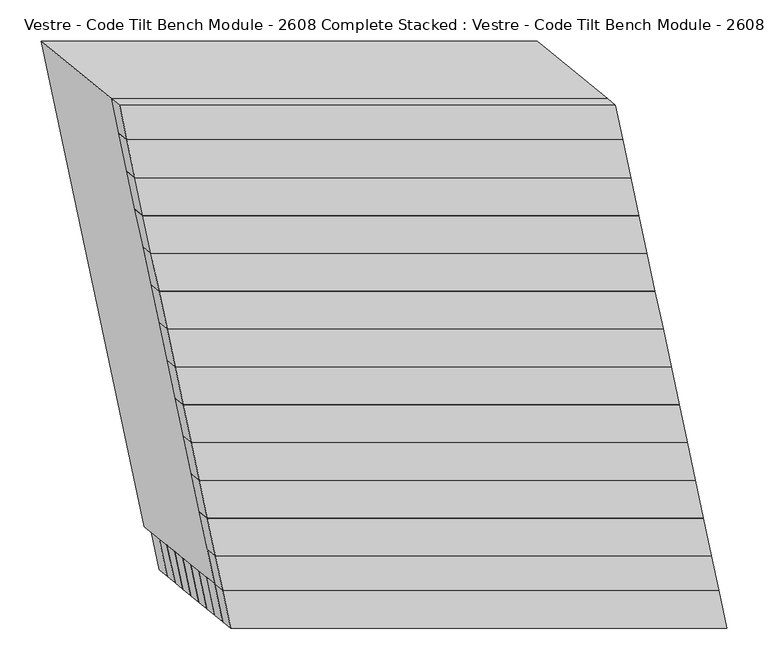
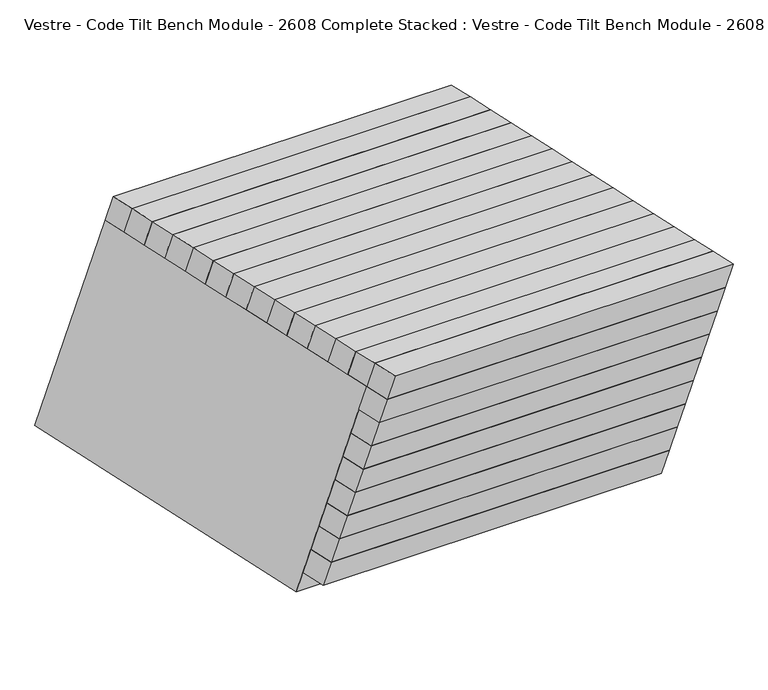
"""IFC4 building model written with IfcOpenShell, lengths in millimetres: furniture geometry, Vestre - Code Tilt Bench Module - 2608 Complete Stacked : Vestre - Code Tilt Bench Module - 2608 Complete Stacked."""

from ifc_helpers import new_model, si_unit, origin, place, context, project, spatial, faceted_brep, source, transform, mapped, element, save


def vestre_code_tilt_bench_module_2608_complete_stacked_vestre_a87910ff(model_context):
    return source(origin(), model_context, "Body", "Brep", [
        faceted_brep([(350.255274, -432.512587, 817.7590999), (-249.744726, -432.512587, 817.7590999), (-239.9876954, -478.4158065, 817.7590999), (360.0123046, -478.4158065, 817.7590999), (340.6138375, -424.6378724, 772.6919126), (350.370868, -470.5410919, 772.6919126), (-249.629132, -470.5410919, 772.6919126), (-259.3861625, -424.6378724, 772.6919126)], [[[0, 1, 2, 3]], [[4, 5, 6, 7]], [[4, 7, 1, 0]], [[7, 6, 2, 1]], [[6, 5, 3, 2]], [[5, 4, 0, 3]]]),
        faceted_brep([(244.0437897, 104.6578383, 862.9456861), (-355.9562103, 104.6578383, 862.9456861), (-346.2319436, 58.9087607, 862.9456861), (253.7680564, 58.9087607, 862.9456861), (234.3979186, 112.5534159, 817.7590999), (244.1221852, 66.8043382, 817.7590999), (-355.8778148, 66.8043382, 817.7590999), (-365.6020814, 112.5534159, 817.7590999)], [[[0, 1, 2, 3]], [[4, 5, 6, 7]], [[4, 7, 1, 0]], [[7, 6, 2, 1]], [[6, 5, 3, 2]], [[5, 4, 0, 3]]]),
        faceted_brep([(253.7680564, 58.9087607, 862.9456861), (-346.2319436, 58.9087607, 862.9456861), (-336.507677, 13.159683, 862.9456861), (263.492323, 13.159683, 862.9456861), (244.1221852, 66.8043382, 817.7590999), (253.8464519, 21.0552605, 817.7590999), (-346.1535481, 21.0552605, 817.7590999), (-355.8778148, 66.8043382, 817.7590999)], [[[0, 1, 2, 3]], [[4, 5, 6, 7]], [[4, 7, 1, 0]], [[7, 6, 2, 1]], [[6, 5, 3, 2]], [[5, 4, 0, 3]]]),
        faceted_brep([(263.492323, 13.159683, 862.9456861), (-336.507677, 13.159683, 862.9456861), (-326.7834103, -32.5893947, 862.9456861), (273.2165897, -32.5893947, 862.9456861), (253.8464519, 21.0552605, 817.7590999), (263.5707185, -24.6938171, 817.7590999), (-336.4292815, -24.6938171, 817.7590999), (-346.1535481, 21.0552605, 817.7590999)], [[[0, 1, 2, 3]], [[4, 5, 6, 7]], [[4, 7, 1, 0]], [[7, 6, 2, 1]], [[6, 5, 3, 2]], [[5, 4, 0, 3]]]),
        faceted_brep([(273.2165897, -32.5893947, 862.9456861), (-326.7834103, -32.5893947, 862.9456861), (-317.0591437, -78.3384723, 862.9456861), (282.9408563, -78.3384723, 862.9456861), (263.5707185, -24.6938171, 817.7590999), (273.2949852, -70.4428948, 817.7590999), (-326.7050148, -70.4428948, 817.7590999), (-336.4292815, -24.6938171, 817.7590999)], [[[0, 1, 2, 3]], [[4, 5, 6, 7]], [[4, 7, 1, 0]], [[7, 6, 2, 1]], [[6, 5, 3, 2]], [[5, 4, 0, 3]]]),
        faceted_brep([(282.9408563, -78.3384723, 862.9456861), (-317.0591437, -78.3384723, 862.9456861), (-307.334877, -124.08755, 862.9456861), (292.665123, -124.08755, 862.9456861), (273.2949852, -70.4428948, 817.7590999), (283.0192518, -116.1919724, 817.7590999), (-316.9807482, -116.1919724, 817.7590999), (-326.7050148, -70.4428948, 817.7590999)], [[[0, 1, 2, 3]], [[4, 5, 6, 7]], [[4, 7, 1, 0]], [[7, 6, 2, 1]], [[6, 5, 3, 2]], [[5, 4, 0, 3]]]),
        faceted_brep([(292.665123, -124.08755, 862.9456861), (-307.334877, -124.08755, 862.9456861), (-297.6106104, -169.8366276, 862.9456861), (302.3893896, -169.8366276, 862.9456861), (283.0192518, -116.1919724, 817.7590999), (292.7435185, -161.9410501, 817.7590999), (-307.2564815, -161.9410501, 817.7590999), (-316.9807482, -116.1919724, 817.7590999)], [[[0, 1, 2, 3]], [[4, 5, 6, 7]], [[4, 7, 1, 0]], [[7, 6, 2, 1]], [[6, 5, 3, 2]], [[5, 4, 0, 3]]]),
        faceted_brep([(302.3893896, -169.8366276, 862.9456861), (-297.6106104, -169.8366276, 862.9456861), (-287.8863437, -215.5857053, 862.9456861), (312.1136563, -215.5857053, 862.9456861), (292.7435185, -161.9410501, 817.7590999), (302.4677851, -207.6901278, 817.7590999), (-297.5322149, -207.6901278, 817.7590999), (-307.2564815, -161.9410501, 817.7590999)], [[[0, 1, 2, 3]], [[4, 5, 6, 7]], [[4, 7, 1, 0]], [[7, 6, 2, 1]], [[6, 5, 3, 2]], [[5, 4, 0, 3]]]),
        faceted_brep([(312.1136563, -215.5857053, 862.9456861), (-287.8863437, -215.5857053, 862.9456861), (-278.1620771, -261.334783, 862.9456861), (321.8379229, -261.334783, 862.9456861), (302.4677851, -207.6901278, 817.7590999), (312.1920518, -253.4392054, 817.7590999), (-287.8079482, -253.4392054, 817.7590999), (-297.5322149, -207.6901278, 817.7590999)], [[[0, 1, 2, 3]], [[4, 5, 6, 7]], [[4, 7, 1, 0]], [[7, 6, 2, 1]], [[6, 5, 3, 2]], [[5, 4, 0, 3]]]),
        faceted_brep([(321.8379229, -261.334783, 862.9456861), (-278.1620771, -261.334783, 862.9456861), (-268.4378105, -307.0838606, 862.9456861), (331.5621895, -307.0838606, 862.9456861), (312.1920518, -253.4392054, 817.7590999), (321.9163184, -299.1882831, 817.7590999), (-278.0836816, -299.1882831, 817.7590999), (-287.8079482, -253.4392054, 817.7590999)], [[[0, 1, 2, 3]], [[4, 5, 6, 7]], [[4, 7, 1, 0]], [[7, 6, 2, 1]], [[6, 5, 3, 2]], [[5, 4, 0, 3]]]),
        faceted_brep([(331.5621895, -307.0838606, 862.9456861), (-268.4378105, -307.0838606, 862.9456861), (-258.7135438, -352.8329383, 862.9456861), (341.2864562, -352.8329383, 862.9456861), (321.9163184, -299.1882831, 817.7590999), (331.6405851, -344.9373608, 817.7590999), (-268.3594149, -344.9373608, 817.7590999), (-278.0836816, -299.1882831, 817.7590999)], [[[0, 1, 2, 3]], [[4, 5, 6, 7]], [[4, 7, 1, 0]], [[7, 6, 2, 1]], [[6, 5, 3, 2]], [[5, 4, 0, 3]]]),
        faceted_brep([(341.2864562, -352.8329383, 862.9456861), (-258.7135438, -352.8329383, 862.9456861), (-248.9892772, -398.5820159, 862.9456861), (351.0107228, -398.5820159, 862.9456861), (331.6405851, -344.9373608, 817.7590999), (341.3648517, -390.6864384, 817.7590999), (-258.6351483, -390.6864384, 817.7590999), (-268.3594149, -344.9373608, 817.7590999)], [[[0, 1, 2, 3]], [[4, 5, 6, 7]], [[4, 7, 1, 0]], [[7, 6, 2, 1]], [[6, 5, 3, 2]], [[5, 4, 0, 3]]]),
        faceted_brep([(235.1533674, 146.4839869, 862.9456861), (-364.8466326, 146.4839869, 862.9456861), (-355.9562103, 104.6578383, 862.9456861), (244.0437897, 104.6578383, 862.9456861), (225.5082596, 154.3759734, 817.7590999), (234.3979186, 112.5534159, 817.7590999), (-365.6020814, 112.5534159, 817.7590999), (-374.4917404, 154.3759734, 817.7590999)], [[[0, 1, 2, 3]], [[4, 5, 6, 7]], [[4, 7, 1, 0]], [[7, 6, 2, 1]], [[6, 5, 3, 2]], [[5, 4, 0, 3]]]),
        faceted_brep([(-249.744726, -432.512587, 817.7590999), (350.255274, -432.512587, 817.7590999), (225.5082596, 154.3759734, 817.7590999), (-374.4917404, 154.3759734, 817.7590999), (287.594671, -381.7550373, 817.7590999), (-208.6618234, -381.7550373, 817.7590999), (-314.2670481, 115.0784827, 817.7590999), (181.9894462, 115.0784827, 817.7590999), (-334.6932278, -362.9784336, 419.8134138), (-459.4402423, 223.9101268, 419.8134138), (140.5597577, 223.9101268, 419.8134138), (265.3067722, -362.9784336, 419.8134138), (-293.6103253, -312.2208839, 419.8134138), (202.6461691, -312.2208839, 419.8134138), (99.0835894, 175.0027468, 419.8134138), (-397.172905, 175.0027468, 419.8134138), (-209.3488955, -424.6378724, 772.6919126), (296.709699, -424.6378724, 772.6919126), (225.0941493, -371.7150723, 469.8134138), (-280.9644451, -371.7150723, 469.8134138), (284.0453984, -378.8497987, 801.1323473), (-212.211096, -378.8497987, 801.1323473), (-289.5258429, -315.5642157, 438.9473846), (206.7306515, -315.5642157, 438.9473846), (178.5255183, 117.5822061, 801.1323473), (103.0698576, 172.1214764, 438.9473846), (-317.730976, 117.5822061, 801.1323473), (-393.1866367, 172.1214764, 438.9473846), (-215.0563962, -397.7861927, 772.6919126), (291.0021983, -397.7861927, 772.6919126), (219.9541961, -347.5334936, 469.8134138), (-286.1043984, -347.5334936, 469.8134138), (-224.6981062, -402.504945, 801.1323473), (-340.5414324, 142.495055, 801.1323473), (201.2990829, 142.495055, 801.1323473), (317.142409, -402.504945, 801.1323473), (-322.5535579, -342.4122939, 438.9473846), (246.6076242, -342.4122939, 438.9473846), (131.2549878, 200.279193, 438.9473846), (-437.9061944, 200.279193, 438.9473846)], [[[0, 1, 2, 3], [4, 5, 6, 7]], [[8, 9, 10, 11], [12, 13, 14, 15]], [[1, 0, 8, 11], [16, 17, 18, 19]], [[2, 1, 11, 10]], [[3, 2, 10, 9]], [[0, 3, 9, 8]], [[5, 4, 20, 21]], [[13, 12, 22, 23]], [[4, 7, 24, 20]], [[14, 13, 23, 25]], [[7, 6, 26, 24]], [[15, 14, 25, 27]], [[6, 5, 21, 26]], [[12, 15, 27, 22]], [[17, 16, 28, 29]], [[19, 18, 30, 31]], [[18, 17, 29, 30]], [[16, 19, 31, 28]], [[32, 33, 34, 35], [21, 20, 24, 26]], [[36, 37, 38, 39], [23, 22, 27, 25]], [[32, 35, 37, 36], [29, 28, 31, 30]], [[35, 34, 38, 37]], [[34, 33, 39, 38]], [[33, 32, 36, 39]]]),
        faceted_brep([(282.9125908, -377.3895846, 502.2887889), (-317.0874092, -377.3895846, 502.2887889), (-307.3303787, -423.2928042, 502.2887889), (292.6696213, -423.2928042, 502.2887889), (273.2711542, -369.51487, 457.2216016), (283.0281847, -415.4180896, 457.2216016), (-316.9718153, -415.4180896, 457.2216016), (-326.7288458, -369.51487, 457.2216016)], [[[0, 1, 2, 3]], [[4, 5, 6, 7]], [[4, 7, 1, 0]], [[7, 6, 2, 1]], [[6, 5, 3, 2]], [[5, 4, 0, 3]]]),
        faceted_brep([(292.5540273, -385.2642993, 547.3559762), (-307.4459727, -385.2642993, 547.3559762), (-297.6889421, -431.1675188, 547.3559762), (302.3110579, -431.1675188, 547.3559762), (282.9125908, -377.3895846, 502.2887889), (292.6696213, -423.2928042, 502.2887889), (-307.3303787, -423.2928042, 502.2887889), (-317.0874092, -377.3895846, 502.2887889)], [[[0, 1, 2, 3]], [[4, 5, 6, 7]], [[4, 7, 1, 0]], [[7, 6, 2, 1]], [[6, 5, 3, 2]], [[5, 4, 0, 3]]]),
        faceted_brep([(302.1744107, -393.1390139, 592.4231635), (-297.8255893, -393.1390139, 592.4231635), (-288.0685588, -439.0422334, 592.4231635), (311.9314412, -439.0422334, 592.4231635), (292.5329741, -385.2642993, 547.3559762), (302.2900046, -431.1675188, 547.3559762), (-297.7099954, -431.1675188, 547.3559762), (-307.4670259, -385.2642993, 547.3559762)], [[[0, 1, 2, 3]], [[4, 5, 6, 7]], [[4, 7, 1, 0]], [[7, 6, 2, 1]], [[6, 5, 3, 2]], [[5, 4, 0, 3]]]),
        faceted_brep([(311.794794, -401.0137285, 637.4903508), (-288.205206, -401.0137285, 637.4903508), (-278.4481755, -446.916948, 637.4903508), (321.5518245, -446.916948, 637.4903508), (302.1533574, -393.1390139, 592.4231635), (311.9103879, -439.0422334, 592.4231635), (-288.0896121, -439.0422334, 592.4231635), (-297.8466426, -393.1390139, 592.4231635)], [[[0, 1, 2, 3]], [[4, 5, 6, 7]], [[4, 7, 1, 0]], [[7, 6, 2, 1]], [[6, 5, 3, 2]], [[5, 4, 0, 3]]]),
        faceted_brep([(321.4151773, -408.8884431, 682.557538), (-278.5848227, -408.8884431, 682.557538), (-268.8277922, -454.7916627, 682.557538), (331.1722078, -454.7916627, 682.557538), (311.7737407, -401.0137285, 637.4903508), (321.5307713, -446.916948, 637.4903508), (-278.4692287, -446.916948, 637.4903508), (-288.2262593, -401.0137285, 637.4903508)], [[[0, 1, 2, 3]], [[4, 5, 6, 7]], [[4, 7, 1, 0]], [[7, 6, 2, 1]], [[6, 5, 3, 2]], [[5, 4, 0, 3]]]),
        faceted_brep([(331.0355606, -416.7631578, 727.6247253), (-268.9644394, -416.7631578, 727.6247253), (-259.2074088, -462.6663773, 727.6247253), (340.7925912, -462.6663773, 727.6247253), (321.3941241, -408.8884431, 682.557538), (331.1511546, -454.7916627, 682.557538), (-268.8488454, -454.7916627, 682.557538), (-278.6058759, -408.8884431, 682.557538)], [[[0, 1, 2, 3]], [[4, 5, 6, 7]], [[4, 7, 1, 0]], [[7, 6, 2, 1]], [[6, 5, 3, 2]], [[5, 4, 0, 3]]]),
        faceted_brep([(340.6138375, -424.6378724, 772.6919126), (-259.3861625, -424.6378724, 772.6919126), (-249.629132, -470.5410919, 772.6919126), (350.370868, -470.5410919, 772.6919126), (330.9724009, -416.7631578, 727.6247253), (340.7294314, -462.6663773, 727.6247253), (-259.2705686, -462.6663773, 727.6247253), (-269.0275991, -416.7631578, 727.6247253)], [[[0, 1, 2, 3]], [[4, 5, 6, 7]], [[4, 7, 1, 0]], [[7, 6, 2, 1]], [[6, 5, 3, 2]], [[5, 4, 0, 3]]]),
        faceted_brep([(351.0107228, -398.5820159, 862.9456861), (-248.9892772, -398.5820159, 862.9456861), (-240.0988548, -440.4081645, 862.9456861), (359.9011452, -440.4081645, 862.9456861), (341.3648517, -390.6864384, 817.7590999), (350.255274, -432.512587, 817.7590999), (-249.744726, -432.512587, 817.7590999), (-258.6351483, -390.6864384, 817.7590999)], [[[0, 1, 2, 3]], [[4, 5, 6, 7]], [[4, 7, 1, 0]], [[7, 6, 2, 1]], [[6, 5, 3, 2]], [[5, 4, 0, 3]]]),
        faceted_brep([(359.9011452, -440.4081645, 862.9456861), (-240.0988548, -440.4081645, 862.9456861), (-230.3425876, -486.307793, 862.9456861), (369.6574124, -486.307793, 862.9456861), (350.255274, -432.512587, 817.7590999), (360.0123046, -478.4158065, 817.7590999), (-239.9876954, -478.4158065, 817.7590999), (-249.744726, -432.512587, 817.7590999)], [[[0, 1, 2, 3]], [[4, 5, 6, 7]], [[4, 7, 1, 0]], [[7, 6, 2, 1]], [[6, 5, 3, 2]], [[5, 4, 0, 3]]]),
    ])


if __name__ == "__main__":
    model = new_model("IFC4")
    model_context = context("Model", 3, world=origin())
    ifc_project = project(units=[si_unit("LENGTHUNIT", "METRE", prefix="MILLI")], contexts=[model_context])
    site = spatial("IfcSite", under=ifc_project)
    building = spatial("IfcBuilding", under=site)
    placement = place(None, origin())
    vestre_code_tilt_bench_module_2608_complete_stacked_vestre_shape = vestre_code_tilt_bench_module_2608_complete_stacked_vestre_a87910ff(model_context)
    element("IfcFurniture", 1, ObjectType="Vestre - Code Tilt Bench Module - 2608 Complete Stacked : Vestre - Code Tilt Bench Module - 2608 Complete Stacked", at=placement, inside=building, context=model_context, shape_type="MappedRepresentation", body=[
        mapped(vestre_code_tilt_bench_module_2608_complete_stacked_vestre_shape, transform((0.0, 0.0, 0.0), x_axis=(1.0, 0.0, 0.0), y_axis=(0.0, 1.0, 0.0), z_axis=(0.0, 0.0, 1.0))),
    ])
    save(model, "model.ifc")
